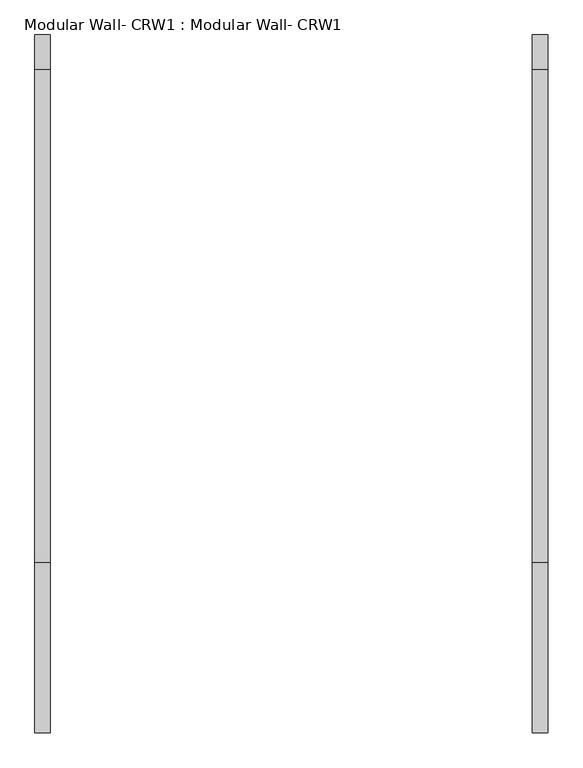
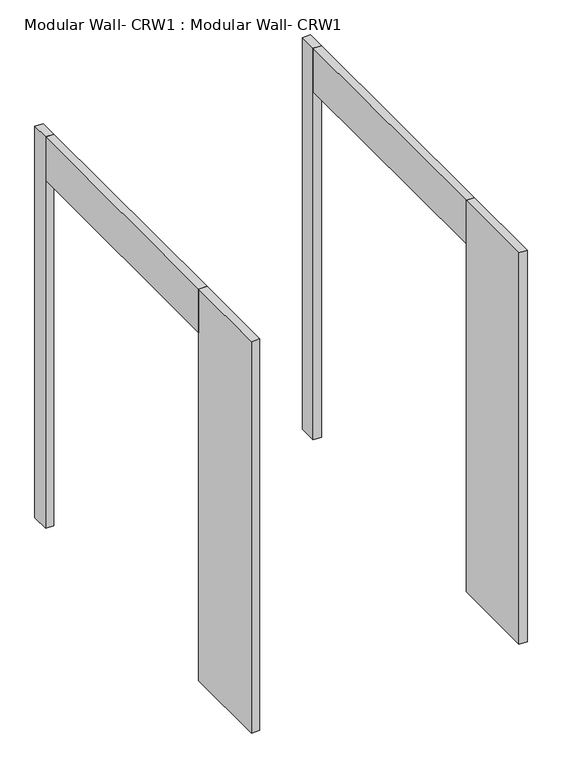
"""IFC4 building model written with IfcOpenShell, lengths in millimetres: proxy geometry, Modular Wall- CRW1 : Modular Wall- CRW1."""

from ifc_helpers import new_model, si_unit, frame, origin, origin_with_axes, place, context, project, spatial, polyline, outline, extrude, source, transform, mapped, element, save


def modular_wall_crw1_modular_wall_crw1_b776d309(model_context):
    return source(origin(), model_context, "Body", "SweptSolid", [
        extrude(outline(polyline([(1066.8, -1132.6787485), (1066.8, -1839.9099985), (1003.3, -1839.9099985), (1003.3, -1132.6787485), (1066.8, -1132.6787485)])), origin_with_axes(), (0.0, 0.0, 1.0), 3200.4),
        extrude(outline(polyline([(-1066.8, -1132.6787485), (-1003.3, -1132.6787485), (-1003.3, -1839.9099985), (-1066.8, -1839.9099985), (-1066.8, -1132.6787485)])), origin_with_axes(), (0.0, 0.0, 1.0), 3200.4),
        extrude(outline(polyline([(1066.8, 918.3712515), (1003.3, 918.3712515), (1003.3, 1062.0400015), (1066.8, 1062.0400015), (1066.8, 918.3712515)])), origin_with_axes(), (0.0, 0.0, 1.0), 3200.4),
        extrude(outline(polyline([(-1003.3, 918.3712515), (-1066.8, 918.3712515), (-1066.8, 1062.0400015), (-1003.3, 1062.0400015), (-1003.3, 918.3712515)])), origin_with_axes(), (0.0, 0.0, 1.0), 3200.4),
        extrude(outline(polyline([(-1003.3, -1132.6787485), (-1066.8, -1132.6787485), (-1066.8, 918.3712515), (-1003.3, 918.3712515), (-1003.3, -1132.6787485)])), frame((0.0, 0.0, 2844.8), z_axis=(0.0, 0.0, 1.0), x_axis=(1.0, 0.0, 0.0)), (0.0, 0.0, 1.0), 355.6),
        extrude(outline(polyline([(1066.8, -1132.6787485), (1003.3, -1132.6787485), (1003.3, 918.3712515), (1066.8, 918.3712515), (1066.8, -1132.6787485)])), frame((0.0, 0.0, 2844.8), z_axis=(0.0, 0.0, 1.0), x_axis=(1.0, 0.0, 0.0)), (0.0, 0.0, 1.0), 355.6),
    ])


if __name__ == "__main__":
    model = new_model("IFC4")
    model_context = context("Model", 3, world=origin())
    ifc_project = project(units=[si_unit("LENGTHUNIT", "METRE", prefix="MILLI")], contexts=[model_context])
    site = spatial("IfcSite", under=ifc_project)
    building = spatial("IfcBuilding", under=site)
    placement = place(None, origin())
    modular_wall_crw1_modular_wall_crw1_shape = modular_wall_crw1_modular_wall_crw1_b776d309(model_context)
    element("IfcBuildingElementProxy", 1, Name="Modular Wall- CRW1 : Modular Wall- CRW1", ObjectType="Modular Wall- CRW1 : Modular Wall- CRW1", at=placement, inside=building, context=model_context, shape_type="MappedRepresentation", body=[
        mapped(modular_wall_crw1_modular_wall_crw1_shape, transform((0.0, 0.0, 0.0), x_axis=(1.0, 0.0, 0.0), y_axis=(0.0, 1.0, 0.0), z_axis=(0.0, 0.0, 1.0))),
    ])
    save(model, "model.ifc")
